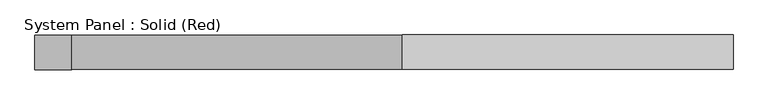
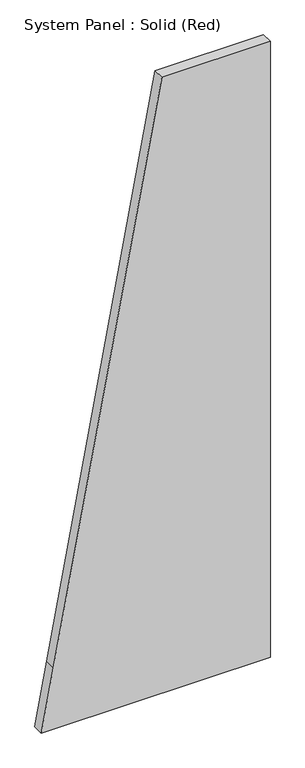
"""IFC4 building model written with IfcOpenShell, lengths in millimetres: plate geometry, System Panel : Solid (Red)."""

from ifc_helpers import new_model, si_unit, frame, origin, place, context, project, spatial, polyline, outline, extrude, source, transform, mapped, element, save


def system_panel_solid_red_4e2df269(model_context):
    return source(origin(), model_context, "Body", "SweptSolid", [
        extrude(outline(polyline([(0.0, -643.4666668), (0.0, -575.7333332), (0.0, 643.4666668), (3657.6, 643.4666668), (3657.6, 33.8666665), (365.7600016, -575.7333332), (0.0, -643.4666668)])), frame((0.0, -19.05, 0.0), z_axis=(0.0, 1.0, 0.0), x_axis=(0.0, 0.0, 1.0)), (0.0, 0.0, 1.0), 63.5),
    ])


if __name__ == "__main__":
    model = new_model("IFC4")
    model_context = context("Model", 3, world=origin())
    ifc_project = project(units=[si_unit("LENGTHUNIT", "METRE", prefix="MILLI")], contexts=[model_context])
    site = spatial("IfcSite", under=ifc_project)
    building = spatial("IfcBuilding", under=site)
    placement = place(None, origin())
    system_panel_solid_red_shape = system_panel_solid_red_4e2df269(model_context)
    element("IfcPlate", 1, ObjectType="System Panel : Solid (Red)", at=placement, inside=building, context=model_context, shape_type="MappedRepresentation", body=[
        mapped(system_panel_solid_red_shape, transform((0.0, 0.0, 0.0), x_axis=(1.0, 0.0, 0.0), y_axis=(0.0, 1.0, 0.0), z_axis=(0.0, 0.0, 1.0))),
    ])
    save(model, "model.ifc")
